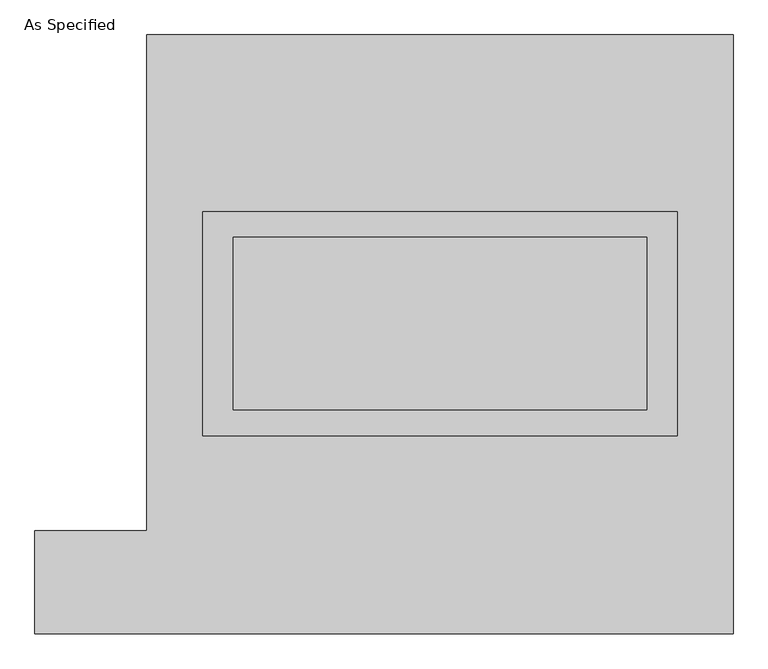
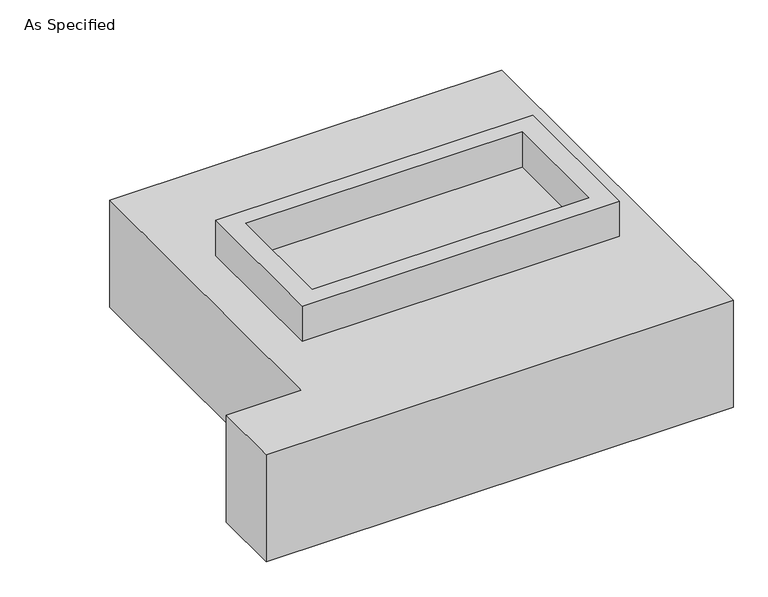
"""IFC4 building model written with IfcOpenShell, lengths in millimetres: proxy geometry, As Specified."""

from ifc_helpers import new_model, si_unit, frame, origin, place, context, project, spatial, polyline, outline, extrude, faceted_brep, source, transform, mapped, element, save


def as_specified_38e29566(model_context):
    return source(origin(), model_context, "Body", "SolidModel", [
        extrude(outline(polyline([(698.5, 361.95), (698.5, -298.45), (-698.5, -298.45), (-698.5, 361.95), (698.5, 361.95)]), holes=[polyline([(609.6, 285.75), (-609.6, 285.75), (-609.6, -222.25), (609.6, -222.25), (609.6, 285.75)])]), frame((0.0, 0.0, -25.4), z_axis=(0.0, 0.0, 1.0), x_axis=(1.0, 0.0, 0.0)), (0.0, 0.0, 1.0), 165.1),
        extrude(outline(polyline([(609.6, 285.75), (609.6, -222.25), (-609.6, -222.25), (-609.6, 285.75), (609.6, 285.75)])), frame((0.0, 0.0, -30.3609375), z_axis=(0.0, 0.0, 1.0), x_axis=(1.0, 0.0, 0.0)), (0.0, 0.0, 1.0), 4.9609375),
        faceted_brep([(-863.6, 882.65, -523.875), (863.6, 882.65, -523.875), (863.6, -882.65, -523.875), (-1193.8, -882.65, -523.875), (-1193.8, -577.85, -523.875), (-863.6, -577.85, -523.875), (863.6, 882.65, -25.4), (-863.6, 882.65, -25.4), (-863.6, -577.85, -25.4), (-1193.8, -577.85, -25.4), (-1193.8, -882.65, -25.4), (863.6, -882.65, -25.4), (-698.5, -298.45, -25.4), (-698.5, 361.95, -25.4), (698.5, 361.95, -25.4), (698.5, -298.45, -25.4), (698.5, 361.95, -498.475), (-698.5, 361.95, -498.475), (-698.5, -298.45, -498.475), (698.5, -298.45, -498.475)], [[[0, 1, 2, 3, 4, 5]], [[6, 7, 8, 9, 10, 11], [12, 13, 14, 15]], [[1, 0, 7, 6]], [[7, 0, 5, 8]], [[1, 6, 11, 2]], [[16, 17, 18, 19]], [[18, 17, 13, 12]], [[17, 16, 14, 13]], [[16, 19, 15, 14]], [[12, 15, 19, 18]], [[3, 2, 11, 10]], [[5, 4, 9, 8]], [[4, 3, 10, 9]]]),
    ])


if __name__ == "__main__":
    model = new_model("IFC4")
    model_context = context("Model", 3, world=origin())
    ifc_project = project(units=[si_unit("LENGTHUNIT", "METRE", prefix="MILLI")], contexts=[model_context])
    site = spatial("IfcSite", under=ifc_project)
    building = spatial("IfcBuilding", under=site)
    placement = place(None, origin())
    as_specified_shape = as_specified_38e29566(model_context)
    element("IfcBuildingElementProxy", 1, Name="As Specified", ObjectType="As Specified", at=placement, inside=building, context=model_context, shape_type="MappedRepresentation", body=[
        mapped(as_specified_shape, transform((0.0, 0.0, 0.0), x_axis=(1.0, 0.0, 0.0), y_axis=(0.0, 1.0, 0.0), z_axis=(0.0, 0.0, 1.0))),
    ])
    save(model, "model.ifc")
